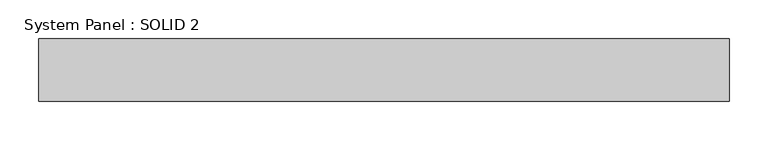
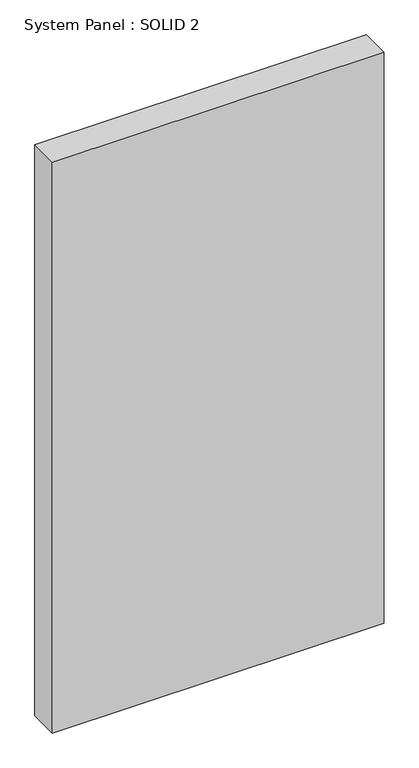
"""IFC4 building model written with IfcOpenShell, lengths in millimetres: plate geometry, System Panel : SOLID 2."""

from ifc_helpers import new_model, si_unit, origin, origin_with_axes, place, context, project, spatial, polyline, outline, extrude, source, transform, mapped, element, save


def system_panel_solid_2_f6490d96(model_context):
    return source(origin(), model_context, "Body", "SweptSolid", [
        extrude(outline(polyline([(442.5, 80.0), (-442.5, 80.0), (-442.5, 160.0), (442.5, 160.0), (442.5, 80.0)])), origin_with_axes(), (0.0, 0.0, 1.0), 1609.0),
    ])


if __name__ == "__main__":
    model = new_model("IFC4")
    model_context = context("Model", 3, world=origin())
    ifc_project = project(units=[si_unit("LENGTHUNIT", "METRE", prefix="MILLI")], contexts=[model_context])
    site = spatial("IfcSite", under=ifc_project)
    building = spatial("IfcBuilding", under=site)
    placement = place(None, origin())
    system_panel_solid_2_shape = system_panel_solid_2_f6490d96(model_context)
    element("IfcPlate", 1, ObjectType="System Panel : SOLID 2", at=placement, inside=building, context=model_context, shape_type="MappedRepresentation", body=[
        mapped(system_panel_solid_2_shape, transform((0.0, 0.0, 0.0), x_axis=(1.0, 0.0, 0.0), y_axis=(0.0, 1.0, 0.0), z_axis=(0.0, 0.0, 1.0))),
    ])
    save(model, "model.ifc")
